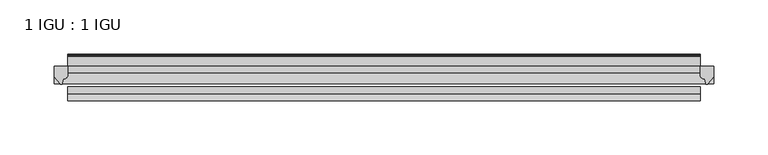
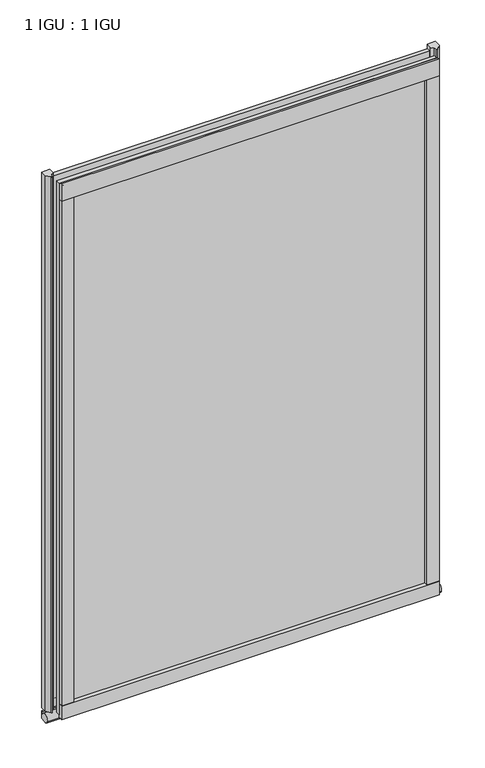
"""IFC4 building model written with IfcOpenShell, lengths in millimetres: plate geometry, 1 IGU : 1 IGU."""

from ifc_helpers import new_model, si_unit, point, frame, frame_2d, origin, place, context, project, spatial, polyline, circle_curve, ellipse_curve, trimmed, segment, composite_curve, outline, extrude, source, transform, mapped, element, save
from ifc_brep_helpers import plane_surface, revolved_surface, extruded_surface, advanced_brep


def plate_1_igu_1_igu_b9930025(model_context):
    return source(origin(), model_context, "Body", "SolidModel", [
        extrude(outline(polyline([(292.1, 0.0021347), (292.1, -6.2992), (-292.1, -6.2992), (-292.1, 0.0021347), (292.1, 0.0021347)])), frame((0.0, 0.0, -17.4498), z_axis=(0.0, 0.0, 1.0), x_axis=(1.0, 0.0, 0.0)), (0.0, 0.0, 1.0), 868.3366072),
        extrude(outline(polyline([(-292.1, -19.0986653), (292.1, -19.0986653), (292.1, -25.3978653), (-292.1, -25.3978653), (-292.1, -19.0986653)])), frame((0.0, 0.0, -17.4498), z_axis=(0.0, 0.0, 1.0), x_axis=(1.0, 0.0, 0.0)), (0.0, 0.0, 1.0), 868.3366072),
        advanced_brep(
        [(304.8, -2.9334208, -29.3692082), (304.8, -15.7658436, -30.8313288), (304.8, -6.7904952, -34.925), (304.8, 0.0, -34.925), (304.8, 0.0, -22.225), (304.8, -2.5187477, -22.225), (-304.8, -2.9073519, -29.3720514), (-304.8, -2.5187477, -22.225), (-304.8, 0.0, -22.225), (-304.8, 0.0, -34.925), (-304.8, -6.7904952, -34.925), (-304.8, -15.7658436, -30.8313288)],
        [
            (0, 1, ellipse_curve(frame((304.8, -9.5065066, -28.575), z_axis=(1.0, 0.0, 0.0), x_axis=(0.0, 0.0, -1.0)), 6.9638038, 6.6162554)),
            (1, 2, ellipse_curve(frame((304.8, -9.5065066, -28.575), z_axis=(1.0, 0.0, 0.0), x_axis=(0.0, 0.0, -1.0)), 6.9638038, 6.6162554)),
            (2, 3),
            (3, 4, circle_curve(frame((304.8, 24.1576838, -28.575), z_axis=(-1.0, 0.0, 0.0), x_axis=(0.0, 0.0, 1.0)), 24.9783143)),
            (4, 5),
            (5, 0, circle_curve(frame((304.8, -68.4358767, -22.225), z_axis=(-1.0, 0.0, 0.0), x_axis=(0.0, 0.0, 1.0)), 65.917129)),
            (6, 7, circle_curve(frame((-304.8, -68.4358767, -22.225), z_axis=(1.0, 0.0, 0.0), x_axis=(0.0, 0.0, 1.0)), 65.917129)),
            (7, 8),
            (8, 9, circle_curve(frame((-304.8, 24.1576838, -28.575), z_axis=(1.0, 0.0, 0.0), x_axis=(0.0, 0.0, 1.0)), 24.9783143)),
            (9, 10),
            (10, 11, ellipse_curve(frame((-304.8, -9.5065066, -28.575), z_axis=(-1.0, 0.0, 0.0), x_axis=(0.0, 0.0, -1.0)), 6.9638038, 6.6162554)),
            (11, 6, ellipse_curve(frame((-304.8, -9.5065066, -28.575), z_axis=(-1.0, 0.0, 0.0), x_axis=(0.0, 0.0, -1.0)), 6.9638038, 6.6162554)),
            (0, 6),
            (11, 1),
            (10, 2),
            (9, 3),
            (8, 4),
            (7, 5),
        ],
        [
            plane_surface(frame((304.8, 0.0, -28.575), z_axis=(1.0, 0.0, 0.0), x_axis=(0.0, 1.0, 0.0))),
            plane_surface(frame((-304.8, 0.0, -28.575), z_axis=(-1.0, 0.0, 0.0), x_axis=(0.0, 1.0, 0.0))),
            extruded_surface(trimmed(ellipse_curve(frame((-304.8, -9.5065066, -28.575), z_axis=(1.0, 0.0, 0.0), x_axis=(0.0, 0.0, -1.0)), 6.9638038, 6.6162554), [point((-304.8, -2.9334208, -29.3692082))], [point((-304.8, -15.7658436, -30.8313288))], True, "CARTESIAN"), (609.6, 0.0, 0.0), 609.6),
            extruded_surface(trimmed(ellipse_curve(frame((-304.8, -9.5065066, -28.575), z_axis=(1.0, 0.0, 0.0), x_axis=(0.0, 0.0, -1.0)), 6.9638038, 6.6162554), [point((-304.8, -15.7658436, -30.8313288))], [point((-304.8, -6.7904952, -34.925))], True, "CARTESIAN"), (609.6, 0.0, 0.0), 609.6),
            plane_surface(frame((304.8, -6.7904952, -34.925), z_axis=(0.0, 0.0, -1.0), x_axis=(-1.0, 0.0, 0.0))),
            revolved_surface(polyline([(-304.8, 24.1576838, -3.5966856999999983), (304.8, 24.1576838, -3.5966856999999983)]), (304.8, 24.1576838, -28.575), (-1.0, 0.0, 0.0)),
            plane_surface(frame((304.8, 0.0, -22.225), z_axis=(0.0, 0.0, 1.0), x_axis=(-1.0, 0.0, 0.0))),
            revolved_surface(polyline([(-304.8, -68.4358767, 43.692129), (304.8, -68.4358767, 43.692129)]), (304.8, -68.4358767, -22.225), (-1.0, 0.0, 0.0)),
        ],
        [
            (0, [[1, 2, 3, 4, 5, 6]]),
            (1, [[7, 8, 9, 10, 11, 12]]),
            (2, [[-1, 13, -12, 14]]),
            (3, [[-2, -14, -11, 15]]),
            (4, [[-3, -15, -10, 16]]),
            (5, [[-4, -16, -9, 17]]),
            (6, [[-5, -17, -8, 18]]),
            (7, [[-6, -18, -7, -13]]),
        ],
    ),
        extrude(outline(composite_curve([segment(polyline([(304.8, 0.0), (304.8, -9.7395025), (299.2337691, -16.3730781)]), True, "CONTINUOUS"), segment(trimmed(circle_curve(frame_2d((298.2800941, -15.7728374)), 1.1268473), [point((299.2337691, -16.3730781))], [point((297.1791412, -16.0130197))], False, "CARTESIAN"), True, "CONTINUOUS"), segment(polyline([(297.1791412, -16.0130197), (296.1989498, -11.7377885)]), True, "CONTINUOUS"), segment(trimmed(circle_curve(frame_2d((296.0714979, -7.7683362)), 3.9714979), [point((296.1989498, -11.7377885))], [point((292.1001786, -7.8060014))], False, "CARTESIAN"), True, "CONTINUOUS"), segment(polyline([(292.1001786, -7.8060014), (292.1001786, 0.0), (304.8, 0.0)]), True, "CONTINUOUS")], self_intersect=False)), frame((0.0, 0.0, -17.4498), z_axis=(0.0, 0.0, 1.0), x_axis=(1.0, 0.0, 0.0)), (0.0, 0.0, 1.0), 875.4740072),
        extrude(outline(composite_curve([segment(polyline([(-292.1, 8.8e-06), (-292.1, -7.7683362)]), True, "CONTINUOUS"), segment(trimmed(circle_curve(frame_2d((-296.0714979, -7.7683362)), 3.9714979), [point((-292.1, -7.7683362))], [point((-296.1989498, -11.7377885))], False, "CARTESIAN"), True, "CONTINUOUS"), segment(polyline([(-296.1989498, -11.7377885), (-297.1789843, -16.012436)]), True, "CONTINUOUS"), segment(trimmed(circle_curve(frame_2d((-298.2801933, -15.7723555)), 1.1270758), [point((-297.1789843, -16.012436))], [point((-299.2340327, -16.372764))], False, "CARTESIAN"), True, "CONTINUOUS"), segment(polyline([(-299.2340327, -16.372764), (-304.8, -9.7395025), (-304.8, 8.8e-06), (-292.1, 8.8e-06)]), True, "CONTINUOUS")], self_intersect=False)), frame((0.0, 0.0, -17.4498), z_axis=(0.0, 0.0, 1.0), x_axis=(1.0, 0.0, 0.0)), (0.0, 0.0, 1.0), 875.4740072),
        extrude(outline(composite_curve([segment(polyline([(-31.75, 0.0), (-25.4, 0.0), (-25.4, -22.225)]), True, "CONTINUOUS"), segment(trimmed(circle_curve(frame_2d((-28.575, -28.9113452)), 7.4018806), [point((-25.4, -22.225))], [point((-31.75, -22.225))], True, "CARTESIAN"), True, "CONTINUOUS"), segment(polyline([(-31.75, -22.225), (-31.75, 0.0)]), True, "CONTINUOUS")], self_intersect=False)), frame((-292.1, 0.0, 0.0), z_axis=(1.0, 0.0, 0.0), x_axis=(0.0, 1.0, 0.0)), (0.0, 0.0, 1.0), 584.2),
        extrude(outline(composite_curve([segment(trimmed(circle_curve(frame_2d((13.6593785, 32.4202472)), 31.3046461), [point((0.0, 4.2528503))], [point((9.3980339, 1.406995))], True, "CARTESIAN"), True, "CONTINUOUS"), segment(polyline([(9.3980339, 1.406995), (9.3980339, 0.0254), (6.35, 0.0254), (6.35, -5.1625788), (7.7309478, -5.3970663), (6.35, -8.0073788), (6.35, -11.8471127)]), True, "CONTINUOUS"), segment(trimmed(circle_curve(frame_2d((5.334, -11.8471127)), 1.016), [point((6.35, -11.8471127))], [point((4.6284878, -12.5782136))], False, "CARTESIAN"), True, "CONTINUOUS"), segment(trimmed(circle_curve(frame_2d((-23.3689302, -41.5910901)), 40.3187601), [point((4.6284878, -12.5782136))], [point((0.0, -8.735413))], True, "CARTESIAN"), True, "CONTINUOUS"), segment(polyline([(0.0, -8.735413), (0.0, 4.2528503)]), True, "CONTINUOUS")], self_intersect=False)), frame((-292.1, 0.0, 0.0), z_axis=(1.0, 0.0, 0.0), x_axis=(0.0, 1.0, 0.0)), (0.0, 0.0, 1.0), 584.2),
        extrude(outline(composite_curve([segment(polyline([(8.509, 840.7300284), (8.509, 838.6980284), (6.35, 838.6980284), (6.35, 833.3640284), (8.9492698, 833.3640284)]), True, "CONTINUOUS"), segment(trimmed(circle_curve(frame_2d((8.208689, 831.8368072)), 1.697311), [point((8.9492698, 833.3640284))], [point((8.962411, 830.3160284))], False, "CARTESIAN"), True, "CONTINUOUS"), segment(polyline([(8.962411, 830.3160284), (6.35, 830.3160284), (6.35, 825.4868072), (11.1252, 825.4868072), (11.1252, 824.5978072)]), True, "CONTINUOUS"), segment(trimmed(circle_curve(frame_2d((10.1092, 824.5978072)), 1.016), [point((11.1252, 824.5978072))], [point((10.1092, 823.5818072))], False, "CARTESIAN"), True, "CONTINUOUS"), segment(trimmed(circle_curve(frame_2d((10.1092, 804.1707318)), 19.4110754), [point((10.1092, 823.5818072))], [point((0.0, 820.7416075))], True, "CARTESIAN"), True, "CONTINUOUS"), segment(polyline([(0.0, 820.7416075), (0.0, 840.7300284), (8.509, 840.7300284)]), True, "CONTINUOUS")], self_intersect=False)), frame((-292.1, 0.0, 0.0), z_axis=(1.0, 0.0, 0.0), x_axis=(0.0, 1.0, 0.0)), (0.0, 0.0, 1.0), 584.2),
        extrude(outline(composite_curve([segment(polyline([(-25.4, 850.8868072), (-25.4, 825.4868072), (-31.75, 825.4868072), (-31.75, 853.6597045)]), True, "CONTINUOUS"), segment(trimmed(circle_curve(frame_2d((-24.1401272, 862.4292187)), 11.6109665), [point((-31.75, 853.6597045))], [point((-25.4, 850.8868072))], True, "CARTESIAN"), True, "CONTINUOUS")], self_intersect=False)), frame((-292.1, 0.0, 0.0), z_axis=(1.0, 0.0, 0.0), x_axis=(0.0, 1.0, 0.0)), (0.0, 0.0, 1.0), 584.2),
        extrude(outline(composite_curve([segment(polyline([(273.05, -25.4), (292.1, -25.4)]), True, "CONTINUOUS"), segment(trimmed(circle_curve(frame_2d((301.5661507, -28.575)), 9.9844196), [point((292.1, -25.4))], [point((292.1, -31.75))], True, "CARTESIAN"), True, "CONTINUOUS"), segment(polyline([(292.1, -31.75), (273.05, -31.75), (273.05, -25.4)]), True, "CONTINUOUS")], self_intersect=False)), frame((0.0, 0.0, -17.4498), z_axis=(0.0, 0.0, 1.0), x_axis=(1.0, 0.0, 0.0)), (0.0, 0.0, 1.0), 868.3366072),
        extrude(outline(composite_curve([segment(trimmed(circle_curve(frame_2d((-301.5661507, -28.575)), 9.9844196), [point((-292.1, -31.75))], [point((-292.1, -25.4))], True, "CARTESIAN"), True, "CONTINUOUS"), segment(polyline([(-292.1, -25.4), (-273.05, -25.4), (-273.05, -31.75), (-292.1, -31.75)]), True, "CONTINUOUS")], self_intersect=False)), frame((0.0, 0.0, -17.4498), z_axis=(0.0, 0.0, 1.0), x_axis=(1.0, 0.0, 0.0)), (0.0, 0.0, 1.0), 868.3366072),
    ])


if __name__ == "__main__":
    model = new_model("IFC4")
    model_context = context("Model", 3, world=origin())
    ifc_project = project(units=[si_unit("LENGTHUNIT", "METRE", prefix="MILLI")], contexts=[model_context])
    site = spatial("IfcSite", under=ifc_project)
    building = spatial("IfcBuilding", under=site)
    placement = place(None, origin())
    plate_1_igu_1_igu_shape = plate_1_igu_1_igu_b9930025(model_context)
    element("IfcPlate", 1, ObjectType="1 IGU : 1 IGU", at=placement, inside=building, context=model_context, shape_type="MappedRepresentation", body=[
        mapped(plate_1_igu_1_igu_shape, transform((0.0, 0.0, 0.0), x_axis=(1.0, 0.0, 0.0), y_axis=(0.0, 1.0, 0.0), z_axis=(0.0, 0.0, 1.0))),
    ])
    save(model, "model.ifc")
